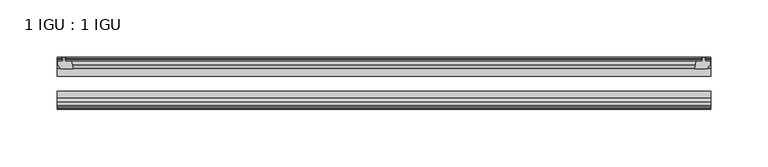
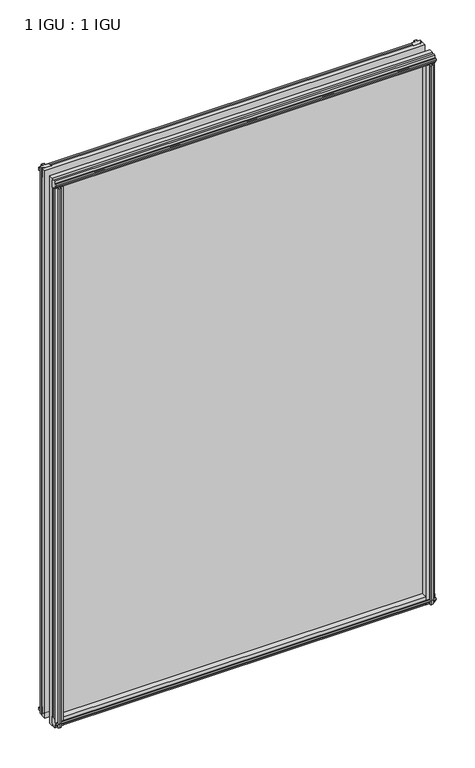
"""IFC4 building model written with IfcOpenShell, lengths in millimetres: plate geometry, 1 IGU : 1 IGU."""

from ifc_helpers import new_model, si_unit, frame, origin, place, context, project, spatial, polyline, outline, extrude, source, transform, mapped, element, save


def plate_1_igu_1_igu_c3f134fe(model_context):
    return source(origin(), model_context, "Body", "SweptSolid", [
        extrude(outline(polyline([(293.6316647, -10.4746158), (295.8091937, -9.7670938), (297.9867228, -10.4746158), (297.9867228, -11.27583), (296.5711937, -10.8158968), (296.9521937, -13.1960938), (301.3971937, -13.1960938), (301.3971937, -16.1424938), (298.5628516, -19.5460938), (287.7414757, -19.5460938), (289.4591937, -13.1960938), (294.6661937, -13.1960938), (295.0471937, -10.8158968), (293.6316647, -11.27583), (293.6316647, -10.4746158)])), frame((0.0, 0.0, -12.4587), z_axis=(0.0, 0.0, 1.0), x_axis=(1.0, 0.0, 0.0)), (0.0, 0.0, 1.0), 863.1174001),
        extrude(outline(polyline([(-260.5865375, -9.7670937), (-258.4090084, -10.4746158), (-258.4090084, -11.27583), (-259.8245375, -10.8158968), (-259.4435375, -13.1960937), (-254.2365375, -13.1960937), (-252.5188194, -19.5460937), (-263.3401953, -19.5460937), (-266.1745375, -16.1424937), (-266.1745375, -13.1960937), (-261.7295375, -13.1960937), (-261.3485375, -10.8158968), (-262.7640666, -11.27583), (-262.7640666, -10.4746158), (-260.5865375, -9.7670937)])), frame((0.0, 0.0, -12.4587), z_axis=(0.0, 0.0, 1.0), x_axis=(1.0, 0.0, 0.0)), (0.0, 0.0, 1.0), 863.1174001),
        extrude(outline(polyline([(287.2240777, -44.9460938), (298.0454536, -44.9460938), (300.8797957, -48.3496938), (300.8797957, -51.2960938), (296.4347957, -51.2960938), (296.0537957, -53.6762907), (297.4693248, -53.2163575), (297.4693248, -54.0175717), (295.2917957, -54.7250938), (293.1142667, -54.0175717), (293.1142667, -53.2163575), (294.5297957, -53.6762907), (294.1487957, -51.2960938), (288.9417957, -51.2960938), (287.2240777, -44.9460938)])), frame((0.0, 0.0, -12.4587), z_axis=(0.0, 0.0, 1.0), x_axis=(1.0, 0.0, 0.0)), (0.0, 0.0, 1.0), 850.4174001),
        extrude(outline(polyline([(-251.9981194, -44.9460937), (-253.7158375, -51.2960937), (-258.9228375, -51.2960937), (-259.3038375, -53.6762907), (-257.8883084, -53.2163575), (-257.8883084, -54.0175717), (-260.0658375, -54.7250937), (-262.2433666, -54.0175717), (-262.2433666, -53.2163575), (-260.8278375, -53.6762907), (-261.2088375, -51.2960937), (-265.6538375, -51.2960937), (-265.6538375, -48.3496937), (-262.8194953, -44.9460937), (-251.9981194, -44.9460937)])), frame((0.0, 0.0, -12.4587), z_axis=(0.0, 0.0, 1.0), x_axis=(1.0, 0.0, 0.0)), (0.0, 0.0, 1.0), 850.4174001),
        extrude(outline(polyline([(-10.4746158, -4.6931709), (-9.7670937, -6.8707), (-10.4746158, -9.0482291), (-11.27583, -9.0482291), (-10.8158968, -7.6327), (-13.1960937, -8.0137), (-13.1960937, -12.4587), (-16.1424937, -12.4587), (-19.5460937, -9.6243578), (-19.5460937, 1.1970181), (-13.1960937, -0.5207), (-13.1960937, -5.7277), (-10.8158968, -6.1087), (-11.27583, -4.6931709), (-10.4746158, -4.6931709)])), frame((-266.2174, 0.0, 0.0), z_axis=(1.0, 0.0, 0.0), x_axis=(0.0, 1.0, 0.0)), (0.0, 0.0, 1.0), 567.8558937),
        extrude(outline(polyline([(-44.9460937, 1.7177181), (-44.9460937, -9.1036578), (-48.3496937, -11.938), (-51.2960937, -11.938), (-51.2960937, -7.493), (-53.6762907, -7.112), (-53.2163575, -8.5275291), (-54.0175717, -8.5275291), (-54.7250937, -6.35), (-54.0175717, -4.1724709), (-53.2163575, -4.1724709), (-53.6762907, -5.588), (-51.2960937, -5.207), (-51.2960937, 0.0), (-44.9460937, 1.7177181)])), frame((-266.2174, 0.0, 0.0), z_axis=(1.0, 0.0, 0.0), x_axis=(0.0, 1.0, 0.0)), (0.0, 0.0, 1.0), 567.8558937),
        extrude(outline(polyline([(-10.8158968, 845.8327001), (-11.27583, 847.2482291), (-10.4746158, 847.2482291), (-9.7670937, 845.0707001), (-10.4746158, 842.893171), (-11.27583, 842.893171), (-10.8158968, 844.3087001), (-13.1960937, 843.9277001), (-13.1960937, 838.7207001), (-19.5460938, 837.002982), (-19.5460938, 847.8243579), (-16.1424937, 850.6587001), (-13.1960937, 850.6587001), (-13.1960937, 846.2137001), (-10.8158968, 845.8327001)])), frame((-266.2174, 0.0, 0.0), z_axis=(1.0, 0.0, 0.0), x_axis=(0.0, 1.0, 0.0)), (0.0, 0.0, 1.0), 567.8558937),
        extrude(outline(polyline([(-51.2960937, 850.1380001), (-48.3496937, 850.1380001), (-44.9460938, 847.3036579), (-44.9460938, 836.482282), (-51.2960937, 838.2000001), (-51.2960937, 843.4070001), (-53.6762907, 843.7880001), (-53.2163575, 842.372471), (-54.0175717, 842.372471), (-54.7250937, 844.5500001), (-54.0175717, 846.7275291), (-53.2163575, 846.7275291), (-53.6762907, 845.3120001), (-51.2960937, 845.6930001), (-51.2960937, 850.1380001)])), frame((-266.2174, 0.0, 0.0), z_axis=(1.0, 0.0, 0.0), x_axis=(0.0, 1.0, 0.0)), (0.0, 0.0, 1.0), 567.8558937),
        extrude(outline(polyline([(-266.2174, -38.9186738), (301.6384937, -38.9186738), (301.6384937, -44.9460937), (-266.2174, -44.9460937), (-266.2174, -38.9186738)])), frame((0.0, 0.0, -12.7), z_axis=(0.0, 0.0, 1.0), x_axis=(1.0, 0.0, 0.0)), (0.0, 0.0, 1.0), 863.6000001),
        extrude(outline(polyline([(-266.2174, -19.5460937), (301.6384937, -19.5460937), (301.6384937, -25.8960938), (-266.2174, -25.8960938), (-266.2174, -19.5460937)])), frame((0.0, 0.0, -12.7), z_axis=(0.0, 0.0, 1.0), x_axis=(1.0, 0.0, 0.0)), (0.0, 0.0, 1.0), 863.6000001),
    ])


if __name__ == "__main__":
    model = new_model("IFC4")
    model_context = context("Model", 3, world=origin())
    ifc_project = project(units=[si_unit("LENGTHUNIT", "METRE", prefix="MILLI")], contexts=[model_context])
    site = spatial("IfcSite", under=ifc_project)
    building = spatial("IfcBuilding", under=site)
    placement = place(None, origin())
    plate_1_igu_1_igu_shape = plate_1_igu_1_igu_c3f134fe(model_context)
    element("IfcPlate", 1, ObjectType="1 IGU : 1 IGU", at=placement, inside=building, context=model_context, shape_type="MappedRepresentation", body=[
        mapped(plate_1_igu_1_igu_shape, transform((0.0, 0.0, 0.0), x_axis=(1.0, 0.0, 0.0), y_axis=(0.0, 1.0, 0.0), z_axis=(0.0, 0.0, 1.0))),
    ])
    save(model, "model.ifc")
